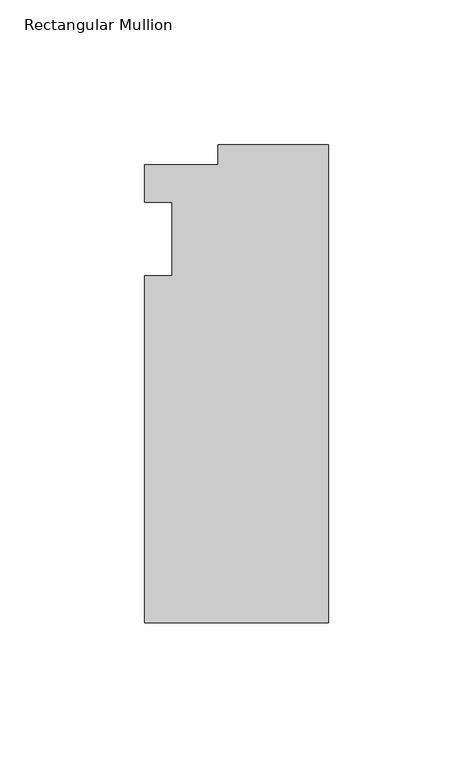
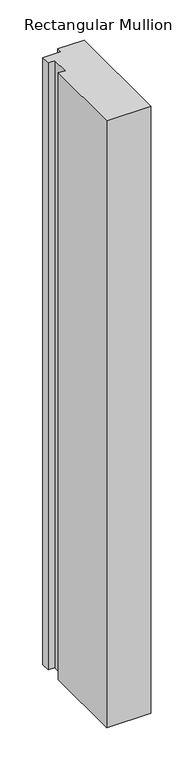
"""IFC4 building model written with IfcOpenShell, lengths in millimetres: member geometry, Rectangular Mullion."""

from ifc_helpers import new_model, si_unit, frame, origin, place, context, project, spatial, polyline, outline, extrude, source, transform, mapped, element, save


def rectangular_mullion_8a6a84da(model_context):
    return source(origin(), model_context, "Body", "SweptSolid", [
        extrude(outline(polyline([(-38.1, 32.54375), (0.0, 32.54375), (0.0, -132.55625), (-63.5, -132.55625), (-63.5, -12.7), (-53.975, -12.7), (-53.975, 12.7), (-63.5, 12.7), (-63.5, 25.58415), (-38.1, 25.58415), (-38.1, 32.54375)])), frame((0.0, 0.0, -921.7014763), z_axis=(0.0, 0.0, 1.0), x_axis=(1.0, 0.0, 0.0)), (0.0, 0.0, 1.0), 921.7014763),
    ])


if __name__ == "__main__":
    model = new_model("IFC4")
    model_context = context("Model", 3, world=origin())
    ifc_project = project(units=[si_unit("LENGTHUNIT", "METRE", prefix="MILLI")], contexts=[model_context])
    site = spatial("IfcSite", under=ifc_project)
    building = spatial("IfcBuilding", under=site)
    placement = place(None, origin())
    rectangular_mullion_shape = rectangular_mullion_8a6a84da(model_context)
    element("IfcMember", 1, ObjectType="Rectangular Mullion", at=placement, inside=building, context=model_context, shape_type="MappedRepresentation", body=[
        mapped(rectangular_mullion_shape, transform((0.0, 0.0, 0.0), x_axis=(1.0, 0.0, 0.0), y_axis=(0.0, 1.0, 0.0), z_axis=(0.0, 0.0, 1.0))),
    ])
    save(model, "model.ifc")
